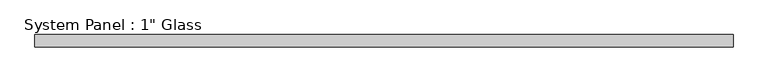
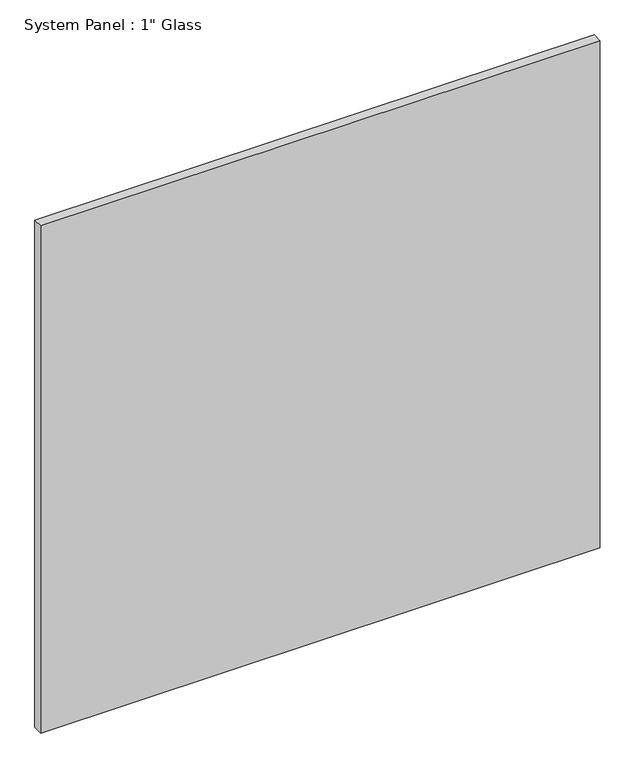
"""IFC4 building model written with IfcOpenShell, lengths in millimetres: plate geometry."""

from ifc_helpers import new_model, si_unit, origin, origin_with_axes, place, context, project, spatial, polyline, outline, extrude, source, transform, mapped, element, save


def plate_d5eb138b(model_context):
    return source(origin(), model_context, "Body", "SweptSolid", [
        extrude(outline(polyline([(727.0767704, -12.7), (-727.0767704, -12.7), (-727.0767704, 12.7), (727.0767704, 12.7), (727.0767704, -12.7)])), origin_with_axes(), (0.0, 0.0, 1.0), 1393.1935408),
    ])


if __name__ == "__main__":
    model = new_model("IFC4")
    model_context = context("Model", 3, world=origin())
    ifc_project = project(units=[si_unit("LENGTHUNIT", "METRE", prefix="MILLI")], contexts=[model_context])
    site = spatial("IfcSite", under=ifc_project)
    building = spatial("IfcBuilding", under=site)
    placement = place(None, origin())
    plate_shape = plate_d5eb138b(model_context)
    element("IfcPlate", 1, ObjectType="System Panel : 1\" Glass", at=placement, inside=building, context=model_context, shape_type="MappedRepresentation", body=[
        mapped(plate_shape, transform((0.0, 0.0, 0.0), x_axis=(1.0, 0.0, 0.0), y_axis=(0.0, 1.0, 0.0), z_axis=(0.0, 0.0, 1.0))),
    ])
    save(model, "model.ifc")
